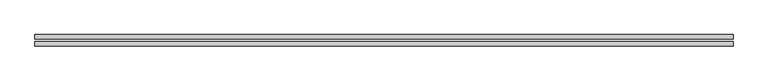
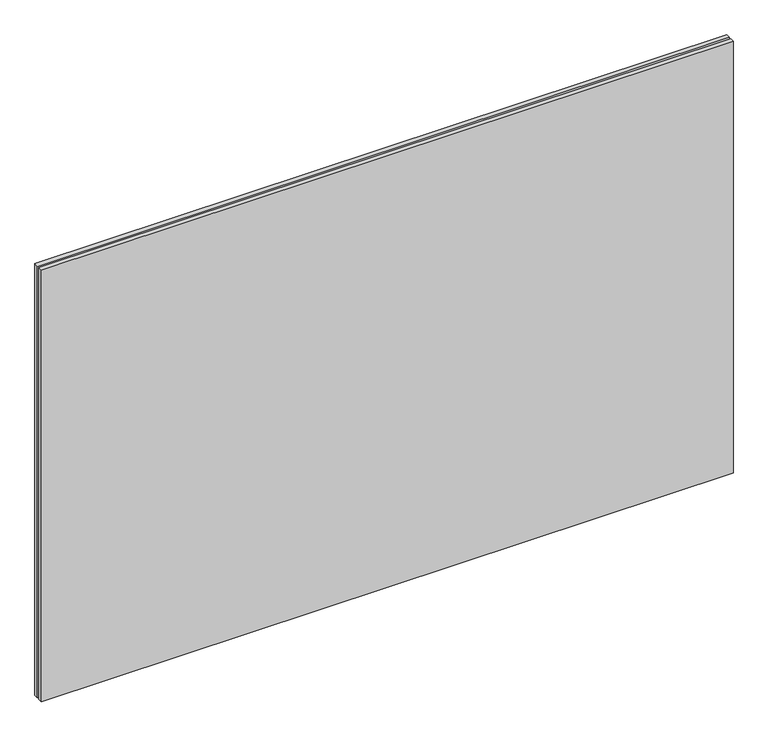
"""IFC4 building model written with IfcOpenShell, lengths in millimetres: plate geometry."""

from ifc_helpers import new_model, si_unit, origin, origin_with_axes, place, context, project, spatial, polyline, outline, extrude, source, transform, mapped, element, save


def plate_c6590f72(model_context):
    return source(origin(), model_context, "Body", "SweptSolid", [
        extrude(outline(polyline([(625.0, -2.0), (625.0, -10.0), (-625.0, -10.0), (-625.0, -2.0), (625.0, -2.0)])), origin_with_axes(), (0.0, 0.0, 1.0), 825.0),
        extrude(outline(polyline([(625.0, 2.0), (-625.0, 2.0), (-625.0, 10.0), (625.0, 10.0), (625.0, 2.0)])), origin_with_axes(), (0.0, 0.0, 1.0), 825.0),
    ])


if __name__ == "__main__":
    model = new_model("IFC4")
    model_context = context("Model", 3, world=origin())
    ifc_project = project(units=[si_unit("LENGTHUNIT", "METRE", prefix="MILLI")], contexts=[model_context])
    site = spatial("IfcSite", under=ifc_project)
    building = spatial("IfcBuilding", under=site)
    placement = place(None, origin())
    plate_shape = plate_c6590f72(model_context)
    element("IfcPlate", 1, at=placement, inside=building, context=model_context, shape_type="MappedRepresentation", body=[
        mapped(plate_shape, transform((0.0, 0.0, 0.0), x_axis=(1.0, 0.0, 0.0), y_axis=(0.0, 1.0, 0.0), z_axis=(0.0, 0.0, 1.0))),
    ])
    save(model, "model.ifc")
